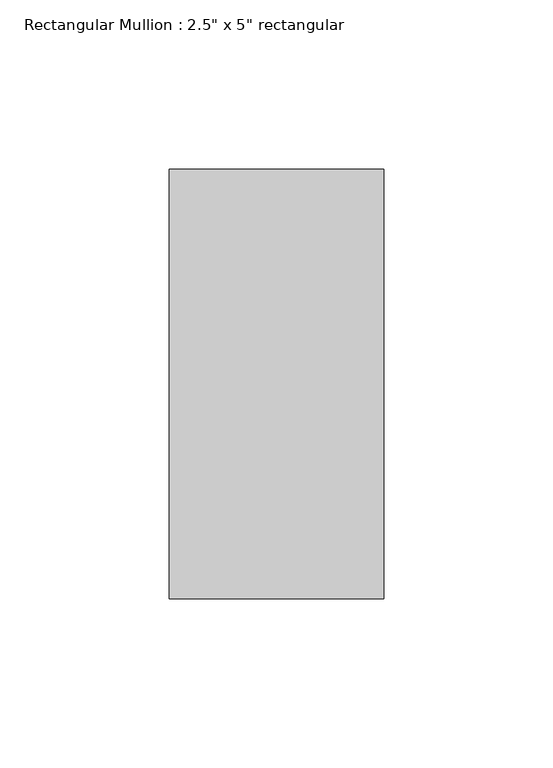
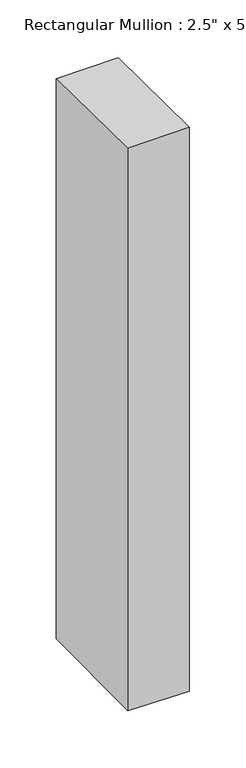
"""IFC4 building model written with IfcOpenShell, lengths in millimetres: member geometry."""

from ifc_helpers import new_model, si_unit, origin, place, context, project, spatial, faceted_brep, source, transform, mapped, element, save


def member_b8b96cba(model_context):
    return source(origin(), model_context, "Body", "Brep", [
        faceted_brep([(-63.5, 63.5, -1.7486158), (0.0, 63.5, -0.7519858), (0.0, 63.5, -610.5594129), (-63.5, 63.5, -609.5622062), (-63.5, -63.5, -0.2446442), (-63.5, -63.5, -611.0732843), (0.0, -63.5, 0.7519858), (0.0, -63.5, -612.070491)], [[[0, 1, 2, 3]], [[4, 0, 3, 5]], [[6, 4, 5, 7]], [[1, 6, 7, 2]], [[1, 0, 4, 6]], [[2, 7, 5, 3]]]),
    ])


if __name__ == "__main__":
    model = new_model("IFC4")
    model_context = context("Model", 3, world=origin())
    ifc_project = project(units=[si_unit("LENGTHUNIT", "METRE", prefix="MILLI")], contexts=[model_context])
    site = spatial("IfcSite", under=ifc_project)
    building = spatial("IfcBuilding", under=site)
    placement = place(None, origin())
    member_shape = member_b8b96cba(model_context)
    element("IfcMember", 1, ObjectType="Rectangular Mullion : 2.5\" x 5\" rectangular", at=placement, inside=building, context=model_context, shape_type="MappedRepresentation", body=[
        mapped(member_shape, transform((0.0, 0.0, 0.0), x_axis=(1.0, 0.0, 0.0), y_axis=(0.0, 1.0, 0.0), z_axis=(0.0, 0.0, 1.0))),
    ])
    save(model, "model.ifc")
